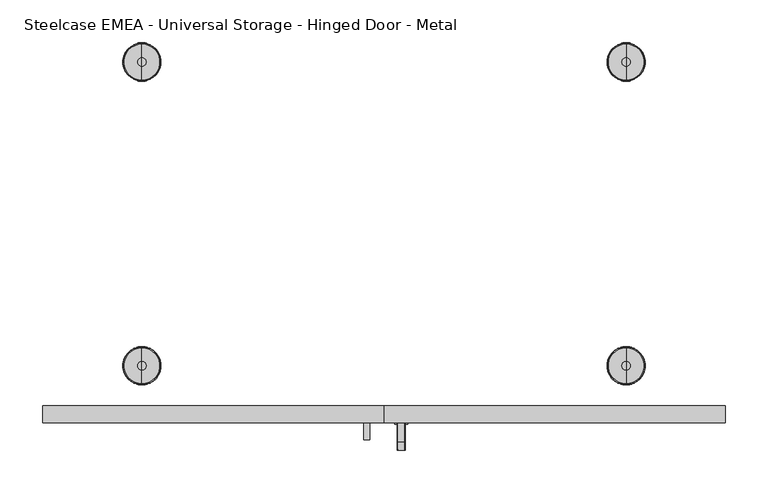
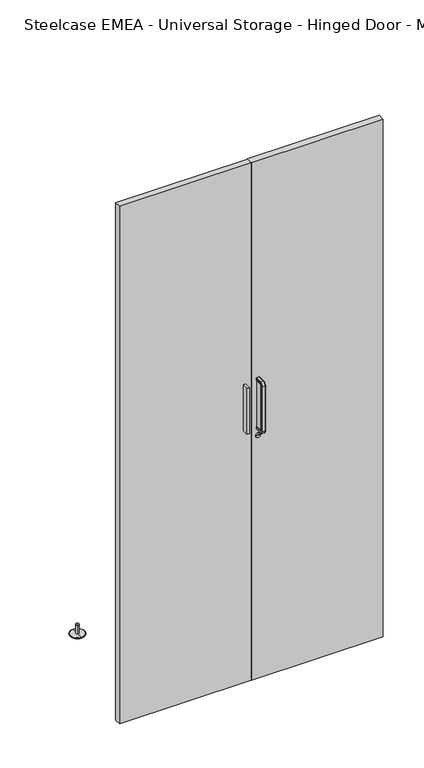
"""IFC4 building model written with IfcOpenShell, lengths in millimetres: furniture geometry, Steelcase EMEA - Universal Storage - Hinged Door - Metal."""

from ifc_helpers import new_model, si_unit, point, frame, frame_2d, origin, place, context, project, spatial, polyline, circle_curve, ellipse_curve, trimmed, segment, composite_curve, outline, extrude, source, transform, mapped, element, save
from ifc_brep_helpers import plane_surface, cylinder_surface, revolved_surface, advanced_brep


def steelcase_emea_universal_storage_hinged_door_metal_18d2f362(model_context):
    return source(origin(), model_context, "Body", "SolidModel", [
        extrude(outline(polyline([(23.7, -245.0), (23.7, -265.0318401), (16.7, -265.0318401), (16.7, -245.0), (23.7, -245.0)])), frame((0.0, 0.0, 818.8885036), z_axis=(0.0, 0.0, 1.0), x_axis=(1.0, 0.0, 0.0)), (0.0, 0.0, 1.0), 148.0614964),
        advanced_brep(
        [(17.2414116, -245.0, 966.95), (15.2414116, -245.0, 968.95), (15.2414116, -245.0, 973.9674524), (16.2412593, -245.0, 974.95), (24.1587407, -245.0, 974.95), (25.1585884, -245.0, 973.9674524), (25.1585884, -245.0, 968.95), (23.1585884, -245.0, 966.95), (23.1585884, -267.0318401, 966.95), (17.2414116, -267.0318401, 966.95), (24.1587407, -267.0318401, 974.95), (25.1585884, -267.0318401, 973.9674524), (16.2412593, -267.0318401, 974.95), (15.2414116, -267.0318401, 973.9674524), (17.2414116, -269.0318401, 964.95), (23.1585884, -269.0318401, 964.95), (25.1585884, -276.0492925, 964.95), (24.1587407, -277.0318401, 964.95), (16.2412593, -277.0318401, 964.95), (15.2414116, -276.0492925, 964.95), (23.1585884, -269.0318401, 820.8885036), (17.2414116, -269.0318401, 820.8885036), (24.1587407, -277.0318401, 820.8885036), (25.1585884, -276.0492925, 820.8885036), (16.2412593, -277.0318401, 820.8885036), (15.2414116, -276.0492925, 820.8885036), (17.2414116, -267.0318401, 818.8885036), (23.1585884, -267.0318401, 818.8885036), (25.1585884, -267.0318401, 811.8710512), (24.1587407, -267.0318401, 810.8885036), (16.2412593, -267.0318401, 810.8885036), (15.2414116, -267.0318401, 811.8710512), (17.2414116, -245.0, 818.8885036), (23.1585884, -245.0, 818.8885036), (25.1585884, -245.0, 816.8885036), (25.1585884, -245.0, 811.8710512), (24.1587407, -245.0, 810.8885036), (16.2412593, -245.0, 810.8885036), (15.2414116, -245.0, 811.8710512), (15.2414116, -245.0, 816.8885036), (25.1585884, -267.0318401, 968.95), (25.1585884, -267.0318401, 816.8885036), (25.1585884, -271.0318401, 820.8885036), (25.1585884, -271.0318401, 964.95), (15.2414116, -267.0318401, 968.95), (15.2414116, -271.0318401, 964.95), (15.2414116, -271.0318401, 820.8885036), (15.2414116, -267.0318401, 816.8885036)],
        [
            (0, 1, circle_curve(frame((17.2414116, -245.0, 968.95), z_axis=(0.0, 1.0, 0.0), x_axis=(1.0, 0.0, 0.0)), 2.0)),
            (1, 2),
            (2, 3, circle_curve(frame((16.2412593, -245.0, 973.95), z_axis=(0.0, 1.0, 0.0), x_axis=(1.0, 0.0, 0.0)), 1.0)),
            (3, 4),
            (4, 5, circle_curve(frame((24.1587407, -245.0, 973.95), z_axis=(0.0, 1.0, 0.0), x_axis=(1.0, 0.0, 0.0)), 1.0)),
            (5, 6),
            (6, 7, circle_curve(frame((23.1585884, -245.0, 968.95), z_axis=(0.0, 1.0, 0.0), x_axis=(1.0, 0.0, 0.0)), 2.0)),
            (7, 0),
            (7, 8),
            (8, 9),
            (9, 0),
            (4, 10),
            (10, 11, circle_curve(frame((24.1587407, -267.0318401, 973.95), z_axis=(0.0, 1.0, 0.0), x_axis=(1.0, 0.0, 0.0)), 1.0)),
            (11, 5),
            (3, 12),
            (12, 10),
            (2, 13),
            (13, 12, circle_curve(frame((16.2412593, -267.0318401, 973.95), z_axis=(0.0, 1.0, 0.0), x_axis=(1.0, 0.0, 0.0)), 1.0)),
            (14, 9, circle_curve(frame((17.2414116, -267.0318401, 964.95), z_axis=(-1.0, 0.0, 0.0), x_axis=(0.0, 0.0, 1.0)), 2.0)),
            (8, 15, circle_curve(frame((23.1585884, -267.0318401, 964.95), z_axis=(1.0, 0.0, 0.0), x_axis=(0.0, 0.0, 1.0)), 2.0)),
            (15, 14),
            (16, 11, circle_curve(frame((25.1585884, -267.0318401, 964.95), z_axis=(-1.0, 0.0, 0.0), x_axis=(0.0, 0.0, 1.0)), 9.0174524)),
            (10, 17, circle_curve(frame((24.1587407, -267.0318401, 964.95), z_axis=(1.0, 0.0, 0.0), x_axis=(0.0, 0.0, 1.0)), 10.0)),
            (17, 16, circle_curve(frame((24.1587407, -276.0318401, 964.95), z_axis=(0.0, 0.0, 1.0), x_axis=(1.0, 0.0, 0.0)), 1.0)),
            (12, 18, circle_curve(frame((16.2412593, -267.0318401, 964.95), z_axis=(1.0, 0.0, 0.0), x_axis=(0.0, 0.0, 1.0)), 10.0)),
            (18, 17),
            (13, 19, circle_curve(frame((15.2414116, -267.0318401, 964.95), z_axis=(1.0, 0.0, 0.0), x_axis=(0.0, 0.0, 1.0)), 9.0174524)),
            (19, 18, circle_curve(frame((16.2412593, -276.0318401, 964.95), z_axis=(0.0, 0.0, 1.0), x_axis=(1.0, 0.0, 0.0)), 1.0)),
            (15, 20),
            (20, 21),
            (21, 14),
            (17, 22),
            (22, 23, circle_curve(frame((24.1587407, -276.0318401, 820.8885036), z_axis=(0.0, 0.0, 1.0), x_axis=(1.0, 0.0, 0.0)), 1.0)),
            (23, 16),
            (18, 24),
            (24, 22),
            (19, 25),
            (25, 24, circle_curve(frame((16.2412593, -276.0318401, 820.8885036), z_axis=(0.0, 0.0, 1.0), x_axis=(1.0, 0.0, 0.0)), 1.0)),
            (26, 21, circle_curve(frame((17.2414116, -267.0318401, 820.8885036), z_axis=(-1.0, 0.0, 0.0), x_axis=(0.0, -1.0, 0.0)), 2.0)),
            (20, 27, circle_curve(frame((23.1585884, -267.0318401, 820.8885036), z_axis=(1.0, 0.0, 0.0), x_axis=(0.0, -1.0, 0.0)), 2.0)),
            (27, 26),
            (28, 23, circle_curve(frame((25.1585884, -267.0318401, 820.8885036), z_axis=(-1.0, 0.0, 0.0), x_axis=(0.0, -1.0, 0.0)), 9.0174524)),
            (22, 29, circle_curve(frame((24.1587407, -267.0318401, 820.8885036), z_axis=(1.0, 0.0, 0.0), x_axis=(0.0, -1.0, 0.0)), 10.0)),
            (29, 28, circle_curve(frame((24.1587407, -267.0318401, 811.8885036), z_axis=(0.0, -1.0, 0.0), x_axis=(1.0, 0.0, 0.0)), 1.0)),
            (24, 30, circle_curve(frame((16.2412593, -267.0318401, 820.8885036), z_axis=(1.0, 0.0, 0.0), x_axis=(0.0, -1.0, 0.0)), 10.0)),
            (30, 29),
            (25, 31, circle_curve(frame((15.2414116, -267.0318401, 820.8885036), z_axis=(1.0, 0.0, 0.0), x_axis=(0.0, -1.0, 0.0)), 9.0174524)),
            (31, 30, circle_curve(frame((16.2412593, -267.0318401, 811.8885036), z_axis=(0.0, -1.0, 0.0), x_axis=(1.0, 0.0, 0.0)), 1.0)),
            (32, 33),
            (33, 34, circle_curve(frame((23.1585884, -245.0, 816.8885036), z_axis=(0.0, 1.0, 0.0), x_axis=(1.0, 0.0, 0.0)), 2.0)),
            (34, 35),
            (35, 36, circle_curve(frame((24.1587407, -245.0, 811.8885036), z_axis=(0.0, 1.0, 0.0), x_axis=(1.0, 0.0, 0.0)), 1.0)),
            (36, 37),
            (37, 38, circle_curve(frame((16.2412593, -245.0, 811.8885036), z_axis=(0.0, 1.0, 0.0), x_axis=(1.0, 0.0, 0.0)), 1.0)),
            (38, 39),
            (39, 32, circle_curve(frame((17.2414116, -245.0, 816.8885036), z_axis=(0.0, 1.0, 0.0), x_axis=(1.0, 0.0, 0.0)), 2.0)),
            (27, 33),
            (32, 26),
            (29, 36),
            (35, 28),
            (30, 37),
            (31, 38),
            (6, 40),
            (40, 8, circle_curve(frame((23.1585884, -267.0318401, 968.95), z_axis=(0.0, 1.0, 0.0), x_axis=(1.0, 0.0, 0.0)), 2.0)),
            (34, 41),
            (41, 42, circle_curve(frame((25.1585884, -267.0318401, 820.8885036), z_axis=(-1.0, 0.0, 0.0), x_axis=(0.0, -1.0, 0.0)), 4.0)),
            (42, 43),
            (43, 40, circle_curve(frame((25.1585884, -267.0318401, 964.95), z_axis=(-1.0, 0.0, 0.0), x_axis=(0.0, 0.0, 1.0)), 4.0)),
            (1, 44),
            (44, 45, circle_curve(frame((15.2414116, -267.0318401, 964.95), z_axis=(1.0, 0.0, 0.0), x_axis=(0.0, 0.0, 1.0)), 4.0)),
            (45, 46),
            (46, 47, circle_curve(frame((15.2414116, -267.0318401, 820.8885036), z_axis=(1.0, 0.0, 0.0), x_axis=(0.0, -1.0, 0.0)), 4.0)),
            (47, 39),
            (9, 44, circle_curve(frame((17.2414116, -267.0318401, 968.95), z_axis=(0.0, 1.0, 0.0), x_axis=(1.0, 0.0, 0.0)), 2.0)),
            (43, 15, circle_curve(frame((23.1585884, -271.0318401, 964.95), z_axis=(0.0, 0.0, 1.0), x_axis=(1.0, 0.0, 0.0)), 2.0)),
            (14, 45, circle_curve(frame((17.2414116, -271.0318401, 964.95), z_axis=(0.0, 0.0, 1.0), x_axis=(1.0, 0.0, 0.0)), 2.0)),
            (42, 20, circle_curve(frame((23.1585884, -271.0318401, 820.8885036), z_axis=(0.0, 0.0, 1.0), x_axis=(1.0, 0.0, 0.0)), 2.0)),
            (21, 46, circle_curve(frame((17.2414116, -271.0318401, 820.8885036), z_axis=(0.0, 0.0, 1.0), x_axis=(1.0, 0.0, 0.0)), 2.0)),
            (41, 27, circle_curve(frame((23.1585884, -267.0318401, 816.8885036), z_axis=(0.0, -1.0, 0.0), x_axis=(1.0, 0.0, 0.0)), 2.0)),
            (26, 47, circle_curve(frame((17.2414116, -267.0318401, 816.8885036), z_axis=(0.0, -1.0, 0.0), x_axis=(1.0, 0.0, 0.0)), 2.0)),
        ],
        [
            plane_surface(frame((20.2, -245.0, 966.95), z_axis=(0.0, 1.0, 0.0), x_axis=(1.0, 0.0, 0.0))),
            plane_surface(frame((23.1585884, -245.0, 966.95), z_axis=(0.0, 0.0, -1.0), x_axis=(0.0, -1.0, 0.0))),
            cylinder_surface(frame((24.1587407, -245.0, 973.95), z_axis=(0.0, 1.0, 0.0), x_axis=(1.0, 0.0, 0.0)), 1.0),
            plane_surface(frame((16.2412593, -245.0, 974.95), z_axis=(0.0, 0.0, 1.0), x_axis=(0.0, -1.0, 0.0))),
            cylinder_surface(frame((16.2412593, -245.0, 973.95), z_axis=(0.0, 1.0, 0.0), x_axis=(1.0, 0.0, 0.0)), 1.0),
            revolved_surface(polyline([(23.1585884, -267.0318401, 966.95), (17.2414116, -267.0318401, 966.95)]), (20.2, -267.0318401, 964.95), (1.0, 0.0, 0.0)),
            revolved_surface(trimmed(ellipse_curve(frame((24.1587407, -267.0318401, 973.95), z_axis=(0.0, 1.0, 0.0), x_axis=(1.0, 0.0, 0.0)), 1.0, 1.0), [point((24.1587407, -267.0318401, 974.95))], [point((25.1585884, -267.0318401, 973.9674524))], True, "CARTESIAN"), (20.2, -267.0318401, 964.95), (1.0, 0.0, 0.0)),
            cylinder_surface(frame((20.2, -267.0318401, 964.95), z_axis=(1.0, 0.0, 0.0), x_axis=(0.0, 0.0, 1.0)), 10.0),
            revolved_surface(trimmed(ellipse_curve(frame((16.2412593, -267.0318401, 973.95), z_axis=(0.0, 1.0, 0.0), x_axis=(1.0, 0.0, 0.0)), 1.0, 1.0), [point((15.2414116, -267.0318401, 973.9674524))], [point((16.2412593, -267.0318401, 974.95))], True, "CARTESIAN"), (20.2, -267.0318401, 964.95), (1.0, 0.0, 0.0)),
            plane_surface(frame((23.1585884, -269.0318401, 964.95), z_axis=(0.0, 1.0, 0.0), x_axis=(0.0, 0.0, -1.0))),
            cylinder_surface(frame((24.1587407, -276.0318401, 964.95), z_axis=(0.0, 0.0, 1.0), x_axis=(1.0, 0.0, 0.0)), 1.0),
            plane_surface(frame((16.2412593, -277.0318401, 964.95), z_axis=(0.0, -1.0, 0.0), x_axis=(0.0, 0.0, -1.0))),
            cylinder_surface(frame((16.2412593, -276.0318401, 964.95), z_axis=(0.0, 0.0, 1.0), x_axis=(1.0, 0.0, 0.0)), 1.0),
            revolved_surface(polyline([(23.1585884, -269.0318401, 820.8885036), (17.2414116, -269.0318401, 820.8885036)]), (20.2, -267.0318401, 820.8885036), (1.0, 0.0, 0.0)),
            revolved_surface(trimmed(ellipse_curve(frame((24.1587407, -276.0318401, 820.8885036), z_axis=(0.0, 0.0, 1.0), x_axis=(1.0, 0.0, 0.0)), 1.0, 1.0), [point((24.1587407, -277.0318401, 820.8885036))], [point((25.1585884, -276.0492925, 820.8885036))], True, "CARTESIAN"), (20.2, -267.0318401, 820.8885036), (1.0, 0.0, 0.0)),
            cylinder_surface(frame((20.2, -267.0318401, 820.8885036), z_axis=(1.0, 0.0, 0.0), x_axis=(0.0, -1.0, 0.0)), 10.0),
            revolved_surface(trimmed(ellipse_curve(frame((16.2412593, -276.0318401, 820.8885036), z_axis=(0.0, 0.0, 1.0), x_axis=(1.0, 0.0, 0.0)), 1.0, 1.0), [point((15.2414116, -276.0492925, 820.8885036))], [point((16.2412593, -277.0318401, 820.8885036))], True, "CARTESIAN"), (20.2, -267.0318401, 820.8885036), (1.0, 0.0, 0.0)),
            plane_surface(frame((20.2, -245.0, 818.8885036), z_axis=(0.0, 1.0, 0.0), x_axis=(1.0, 0.0, 0.0))),
            plane_surface(frame((23.1585884, -267.0318401, 818.8885036), z_axis=(0.0, 0.0, 1.0), x_axis=(0.0, 1.0, 0.0))),
            cylinder_surface(frame((24.1587407, -267.0318401, 811.8885036), z_axis=(0.0, -1.0, 0.0), x_axis=(1.0, 0.0, 0.0)), 1.0),
            plane_surface(frame((16.2412593, -267.0318401, 810.8885036), z_axis=(0.0, 0.0, -1.0), x_axis=(0.0, 1.0, 0.0))),
            cylinder_surface(frame((16.2412593, -267.0318401, 811.8885036), z_axis=(0.0, -1.0, 0.0), x_axis=(1.0, 0.0, 0.0)), 1.0),
            cylinder_surface(frame((23.1585884, -245.0, 968.95), z_axis=(0.0, 1.0, 0.0), x_axis=(1.0, 0.0, 0.0)), 2.0),
            plane_surface(frame((25.1585884, -245.0, 973.9674524), z_axis=(1.0, 0.0, 0.0), x_axis=(0.0, -1.0, 0.0))),
            plane_surface(frame((15.2414116, -245.0, 968.95), z_axis=(-1.0, 0.0, 0.0), x_axis=(0.0, -1.0, 0.0))),
            cylinder_surface(frame((17.2414116, -245.0, 968.95), z_axis=(0.0, 1.0, 0.0), x_axis=(1.0, 0.0, 0.0)), 2.0),
            revolved_surface(trimmed(ellipse_curve(frame((23.1585884, -267.0318401, 968.95), z_axis=(0.0, 1.0, 0.0), x_axis=(1.0, 0.0, 0.0)), 2.0, 2.0), [point((25.1585884, -267.0318401, 968.95))], [point((23.1585884, -267.0318401, 966.95))], True, "CARTESIAN"), (20.2, -267.0318401, 964.95), (1.0, 0.0, 0.0)),
            revolved_surface(trimmed(ellipse_curve(frame((17.2414116, -267.0318401, 968.95), z_axis=(0.0, 1.0, 0.0), x_axis=(1.0, 0.0, 0.0)), 2.0, 2.0), [point((17.2414116, -267.0318401, 966.95))], [point((15.2414116, -267.0318401, 968.95))], True, "CARTESIAN"), (20.2, -267.0318401, 964.95), (1.0, 0.0, 0.0)),
            cylinder_surface(frame((23.1585884, -271.0318401, 964.95), z_axis=(0.0, 0.0, 1.0), x_axis=(1.0, 0.0, 0.0)), 2.0),
            cylinder_surface(frame((17.2414116, -271.0318401, 964.95), z_axis=(0.0, 0.0, 1.0), x_axis=(1.0, 0.0, 0.0)), 2.0),
            revolved_surface(trimmed(ellipse_curve(frame((23.1585884, -271.0318401, 820.8885036), z_axis=(0.0, 0.0, 1.0), x_axis=(1.0, 0.0, 0.0)), 2.0, 2.0), [point((25.1585884, -271.0318401, 820.8885036))], [point((23.1585884, -269.0318401, 820.8885036))], True, "CARTESIAN"), (20.2, -267.0318401, 820.8885036), (1.0, 0.0, 0.0)),
            revolved_surface(trimmed(ellipse_curve(frame((17.2414116, -271.0318401, 820.8885036), z_axis=(0.0, 0.0, 1.0), x_axis=(1.0, 0.0, 0.0)), 2.0, 2.0), [point((17.2414116, -269.0318401, 820.8885036))], [point((15.2414116, -271.0318401, 820.8885036))], True, "CARTESIAN"), (20.2, -267.0318401, 820.8885036), (1.0, 0.0, 0.0)),
            cylinder_surface(frame((23.1585884, -267.0318401, 816.8885036), z_axis=(0.0, -1.0, 0.0), x_axis=(1.0, 0.0, 0.0)), 2.0),
            cylinder_surface(frame((17.2414116, -267.0318401, 816.8885036), z_axis=(0.0, -1.0, 0.0), x_axis=(1.0, 0.0, 0.0)), 2.0),
        ],
        [
            (0, [[1, 2, 3, 4, 5, 6, 7, 8]]),
            (1, [[-8, 9, 10, 11]]),
            (2, [[-5, 12, 13, 14]]),
            (3, [[-4, 15, 16, -12]]),
            (4, [[-3, 17, 18, -15]]),
            (5, [[19, -10, 20, 21]]),
            (6, [[22, -13, 23, 24]]),
            (7, [[-23, -16, 25, 26]]),
            (8, [[-25, -18, 27, 28]]),
            (9, [[-21, 29, 30, 31]]),
            (10, [[-24, 32, 33, 34]]),
            (11, [[-26, 35, 36, -32]]),
            (12, [[-28, 37, 38, -35]]),
            (13, [[39, -30, 40, 41]]),
            (14, [[42, -33, 43, 44]]),
            (15, [[-43, -36, 45, 46]]),
            (16, [[-45, -38, 47, 48]]),
            (17, [[49, 50, 51, 52, 53, 54, 55, 56]]),
            (18, [[-41, 57, -49, 58]]),
            (19, [[-44, 59, -52, 60]]),
            (20, [[-46, 61, -53, -59]]),
            (21, [[-48, 62, -54, -61]]),
            (22, [[-7, 63, 64, -9]]),
            (23, [[-6, -14, -22, -34, -42, -60, -51, 65, 66, 67, 68, -63]]),
            (24, [[-2, 69, 70, 71, 72, 73, -55, -62, -47, -37, -27, -17]]),
            (25, [[-1, -11, 74, -69]]),
            (26, [[-20, -64, -68, 75]]),
            (27, [[-70, -74, -19, 76]]),
            (28, [[-75, -67, 77, -29]]),
            (29, [[-76, -31, 78, -71]]),
            (30, [[-40, -77, -66, 79]]),
            (31, [[-72, -78, -39, 80]]),
            (32, [[-79, -65, -50, -57]]),
            (33, [[-80, -58, -56, -73]]),
        ],
    ),
        extrude(outline(polyline([(-0.5, -245.0), (-400.0, -245.0), (-400.0, -225.0), (-0.5, -225.0), (-0.5, -245.0)])), frame((0.0, 0.0, 10.0), z_axis=(0.0, 0.0, 1.0), x_axis=(1.0, 0.0, 0.0)), (0.0, 0.0, 1.0), 1660.0),
        extrude(outline(polyline([(400.0, -245.0), (0.5, -245.0), (0.5, -225.0), (400.0, -225.0), (400.0, -245.0)])), frame((0.0, 0.0, 10.0), z_axis=(0.0, 0.0, 1.0), x_axis=(1.0, 0.0, 0.0)), (0.0, 0.0, 1.0), 1660.0),
        extrude(outline(composite_curve([segment(trimmed(circle_curve(frame_2d((790.3885036, 20.2)), 7.5), [point((790.3885036, 12.7))], [point((790.3885036, 27.7))], False, "CARTESIAN"), True, "CONTINUOUS"), segment(trimmed(circle_curve(frame_2d((790.3885036, 20.2)), 7.5), [point((790.3885036, 27.7))], [point((790.3885036, 12.7))], False, "CARTESIAN"), True, "CONTINUOUS")], self_intersect=False), holes=[polyline([(789.9885036, 15.1664282), (790.7885036, 15.1664282), (790.7885036, 25.2335718), (789.9885036, 25.2335718), (789.9885036, 15.1664282)])]), frame((0.0, -246.5, 0.0), z_axis=(0.0, 1.0, 0.0), x_axis=(0.0, 0.0, 1.0)), (0.0, 0.0, 1.0), 1.5),
        advanced_brep(
        [(283.7470237, -177.9975958, 32.5397656), (283.7470237, -172.9975958, 32.5397656), (283.7470237, -182.9975958, 32.5397656), (283.7470237, -196.9727531, 0.0), (283.7470237, -159.0224385, 0.0), (283.7470237, -177.9975958, 0.0), (283.7470237, -198.74052, 0.732233), (283.7470237, -157.2546716, 0.732233), (283.7470237, -200.2351744, 2.2268875), (283.7470237, -155.7600172, 2.2268875), (283.7470237, -200.2351744, 2.9339942), (283.7470237, -155.7600172, 2.9339942), (283.7470237, -199.1691687, 4.0), (283.7470237, -156.8260229, 4.0), (283.7470237, -182.9975958, 4.0), (283.7470237, -172.9975958, 4.0)],
        [
            (0, 1),
            (1, 2, circle_curve(frame((283.7470237, -177.9975958, 32.5397656), z_axis=(0.0, 0.0, 1.0), x_axis=(0.0, 1.0, 0.0)), 5.0)),
            (2, 0),
            (2, 1, circle_curve(frame((283.7470237, -177.9975958, 32.5397656), z_axis=(0.0, 0.0, 1.0), x_axis=(0.0, 1.0, 0.0)), 5.0)),
            (3, 4, circle_curve(frame((283.7470237, -177.9975958, 0.0), z_axis=(0.0, 0.0, -1.0), x_axis=(0.0, 1.0, 0.0)), 18.9751573)),
            (4, 5),
            (5, 3),
            (4, 3, circle_curve(frame((283.7470237, -177.9975958, 0.0), z_axis=(0.0, 0.0, -1.0), x_axis=(0.0, 1.0, 0.0)), 18.9751573)),
            (6, 7, circle_curve(frame((283.7470237, -177.9975958, 0.732233), z_axis=(0.0, 0.0, -1.0), x_axis=(0.0, 1.0, 0.0)), 20.7429242)),
            (7, 4, circle_curve(frame((283.7470237, -159.0224385, 2.5), z_axis=(-1.0, 0.0, 0.0), x_axis=(0.0, -1.0, 0.0)), 2.5)),
            (3, 6, circle_curve(frame((283.7470237, -196.9727531, 2.5), z_axis=(-1.0, 0.0, 0.0), x_axis=(0.0, 1.0, 0.0)), 2.5)),
            (7, 6, circle_curve(frame((283.7470237, -177.9975958, 0.732233), z_axis=(0.0, 0.0, -1.0), x_axis=(0.0, 1.0, 0.0)), 20.7429242)),
            (8, 9, circle_curve(frame((283.7470237, -177.9975958, 2.2268875), z_axis=(0.0, 0.0, -1.0), x_axis=(0.0, 1.0, 0.0)), 22.2375786)),
            (9, 7),
            (6, 8),
            (9, 8, circle_curve(frame((283.7470237, -177.9975958, 2.2268875), z_axis=(0.0, 0.0, -1.0), x_axis=(0.0, 1.0, 0.0)), 22.2375786)),
            (10, 11, circle_curve(frame((283.7470237, -177.9975958, 2.9339942), z_axis=(0.0, 0.0, -1.0), x_axis=(0.0, 1.0, 0.0)), 22.2375786)),
            (11, 9, circle_curve(frame((283.7470237, -156.1135706, 2.5804409), z_axis=(-1.0, 0.0, 0.0), x_axis=(0.0, -1.0, 0.0)), 0.5)),
            (8, 10, circle_curve(frame((283.7470237, -199.881621, 2.5804409), z_axis=(-1.0, 0.0, 0.0), x_axis=(0.0, 1.0, 0.0)), 0.5)),
            (11, 10, circle_curve(frame((283.7470237, -177.9975958, 2.9339942), z_axis=(0.0, 0.0, -1.0), x_axis=(0.0, 1.0, 0.0)), 22.2375786)),
            (12, 13, circle_curve(frame((283.7470237, -177.9975958, 4.0), z_axis=(0.0, 0.0, -1.0), x_axis=(0.0, 1.0, 0.0)), 21.1715729)),
            (13, 11),
            (10, 12),
            (13, 12, circle_curve(frame((283.7470237, -177.9975958, 4.0), z_axis=(0.0, 0.0, -1.0), x_axis=(0.0, 1.0, 0.0)), 21.1715729)),
            (14, 15, circle_curve(frame((283.7470237, -177.9975958, 4.0), z_axis=(0.0, 0.0, -1.0), x_axis=(0.0, 1.0, 0.0)), 5.0)),
            (15, 13),
            (12, 14),
            (15, 14, circle_curve(frame((283.7470237, -177.9975958, 4.0), z_axis=(0.0, 0.0, -1.0), x_axis=(0.0, 1.0, 0.0)), 5.0)),
            (1, 15),
            (14, 2),
        ],
        [
            plane_surface(frame((283.7470237, -177.9975958, 32.5397656), z_axis=(0.0, 0.0, 1.0), x_axis=(0.0, 1.0, 0.0))),
            plane_surface(frame((283.7470237, -177.9975958, 0.0), z_axis=(0.0, 0.0, -1.0), x_axis=(0.0, 1.0, 0.0))),
            revolved_surface(trimmed(ellipse_curve(frame((283.7470237, -159.0224385, 2.5), z_axis=(1.0, 0.0, 0.0), x_axis=(0.0, -1.0, 0.0)), 2.5, 2.5), [point((283.7470237, -159.0224385, 0.0))], [point((283.7470237, -157.2546716, 0.732233))], True, "CARTESIAN"), (283.7470237, -177.9975958, 32.5397656), (0.0, 0.0, 1.0)),
            revolved_surface(polyline([(283.7470237, -157.2546716, 0.732233), (283.7470237, -155.7600172, 2.2268875)]), (283.7470237, -177.9975958, 32.5397656), (0.0, 0.0, 1.0)),
            revolved_surface(trimmed(ellipse_curve(frame((283.7470237, -156.1135706, 2.5804409), z_axis=(1.0, 0.0, 0.0), x_axis=(0.0, -1.0, 0.0)), 0.5, 0.5), [point((283.7470237, -155.7600172, 2.2268875))], [point((283.7470237, -155.7600172, 2.9339942))], True, "CARTESIAN"), (283.7470237, -177.9975958, 32.5397656), (0.0, 0.0, 1.0)),
            revolved_surface(polyline([(283.7470237, -155.7600172, 2.9339942), (283.7470237, -156.8260229, 4.0)]), (283.7470237, -177.9975958, 32.5397656), (0.0, 0.0, 1.0)),
            plane_surface(frame((283.7470237, -177.9975958, 4.0), z_axis=(0.0, 0.0, 1.0), x_axis=(0.0, 1.0, 0.0))),
            cylinder_surface(frame((283.7470237, -177.9975958, 32.5397656), z_axis=(0.0, 0.0, 1.0), x_axis=(0.0, 1.0, 0.0)), 5.0),
        ],
        [
            (0, [[1, 2, 3]]),
            (0, [[-3, 4, -1]]),
            (1, [[5, 6, 7]]),
            (1, [[8, -7, -6]]),
            (2, [[9, 10, -5, 11]]),
            (2, [[12, -11, -8, -10]]),
            (3, [[13, 14, -9, 15]]),
            (3, [[16, -15, -12, -14]]),
            (4, [[17, 18, -13, 19]]),
            (4, [[20, -19, -16, -18]]),
            (5, [[21, 22, -17, 23]]),
            (5, [[24, -23, -20, -22]]),
            (6, [[25, 26, -21, 27]]),
            (6, [[28, -27, -24, -26]]),
            (7, [[-2, 29, -25, 30]]),
            (7, [[-4, -30, -28, -29]]),
        ],
    ),
        advanced_brep(
        [(283.7470237, 182.9975958, 32.5397656), (283.7470237, 172.9975958, 32.5397656), (283.7470237, 177.9975958, 32.5397656), (283.7470237, 177.9975958, 0.0), (283.7470237, 159.0224385, 0.0), (283.7470237, 196.9727531, 0.0), (283.7470237, 157.2546716, 0.732233), (283.7470237, 198.74052, 0.732233), (283.7470237, 155.7600172, 2.2268875), (283.7470237, 200.2351744, 2.2268875), (283.7470237, 155.7600172, 2.9339942), (283.7470237, 200.2351744, 2.9339942), (283.7470237, 156.8260229, 4.0), (283.7470237, 199.1691687, 4.0), (283.7470237, 172.9975958, 4.0), (283.7470237, 182.9975958, 4.0)],
        [
            (0, 1, circle_curve(frame((283.7470237, 177.9975958, 32.5397656), z_axis=(0.0, 0.0, 1.0), x_axis=(0.0, -1.0, 0.0)), 5.0)),
            (1, 2),
            (2, 0),
            (1, 0, circle_curve(frame((283.7470237, 177.9975958, 32.5397656), z_axis=(0.0, 0.0, 1.0), x_axis=(0.0, -1.0, 0.0)), 5.0)),
            (3, 4),
            (4, 5, circle_curve(frame((283.7470237, 177.9975958, 0.0), z_axis=(0.0, 0.0, -1.0), x_axis=(0.0, -1.0, 0.0)), 18.9751573)),
            (5, 3),
            (5, 4, circle_curve(frame((283.7470237, 177.9975958, 0.0), z_axis=(0.0, 0.0, -1.0), x_axis=(0.0, -1.0, 0.0)), 18.9751573)),
            (4, 6, circle_curve(frame((283.7470237, 159.0224385, 2.5), z_axis=(-1.0, 0.0, 0.0), x_axis=(0.0, -1.0, 0.0)), 2.5)),
            (6, 7, circle_curve(frame((283.7470237, 177.9975958, 0.732233), z_axis=(0.0, 0.0, -1.0), x_axis=(0.0, -1.0, 0.0)), 20.7429242)),
            (7, 5, circle_curve(frame((283.7470237, 196.9727531, 2.5), z_axis=(-1.0, 0.0, 0.0), x_axis=(0.0, 1.0, 0.0)), 2.5)),
            (7, 6, circle_curve(frame((283.7470237, 177.9975958, 0.732233), z_axis=(0.0, 0.0, -1.0), x_axis=(0.0, -1.0, 0.0)), 20.7429242)),
            (6, 8),
            (8, 9, circle_curve(frame((283.7470237, 177.9975958, 2.2268875), z_axis=(0.0, 0.0, -1.0), x_axis=(0.0, -1.0, 0.0)), 22.2375786)),
            (9, 7),
            (9, 8, circle_curve(frame((283.7470237, 177.9975958, 2.2268875), z_axis=(0.0, 0.0, -1.0), x_axis=(0.0, -1.0, 0.0)), 22.2375786)),
            (8, 10, circle_curve(frame((283.7470237, 156.1135706, 2.5804409), z_axis=(-1.0, 0.0, 0.0), x_axis=(0.0, -1.0, 0.0)), 0.5)),
            (10, 11, circle_curve(frame((283.7470237, 177.9975958, 2.9339942), z_axis=(0.0, 0.0, -1.0), x_axis=(0.0, -1.0, 0.0)), 22.2375786)),
            (11, 9, circle_curve(frame((283.7470237, 199.881621, 2.5804409), z_axis=(-1.0, 0.0, 0.0), x_axis=(0.0, 1.0, 0.0)), 0.5)),
            (11, 10, circle_curve(frame((283.7470237, 177.9975958, 2.9339942), z_axis=(0.0, 0.0, -1.0), x_axis=(0.0, -1.0, 0.0)), 22.2375786)),
            (10, 12),
            (12, 13, circle_curve(frame((283.7470237, 177.9975958, 4.0), z_axis=(0.0, 0.0, -1.0), x_axis=(0.0, -1.0, 0.0)), 21.1715729)),
            (13, 11),
            (13, 12, circle_curve(frame((283.7470237, 177.9975958, 4.0), z_axis=(0.0, 0.0, -1.0), x_axis=(0.0, -1.0, 0.0)), 21.1715729)),
            (12, 14),
            (14, 15, circle_curve(frame((283.7470237, 177.9975958, 4.0), z_axis=(0.0, 0.0, -1.0), x_axis=(0.0, -1.0, 0.0)), 5.0)),
            (15, 13),
            (15, 14, circle_curve(frame((283.7470237, 177.9975958, 4.0), z_axis=(0.0, 0.0, -1.0), x_axis=(0.0, -1.0, 0.0)), 5.0)),
            (14, 1),
            (0, 15),
        ],
        [
            plane_surface(frame((283.7470237, 177.9975958, 32.5397656), z_axis=(0.0, 0.0, 1.0), x_axis=(0.0, -1.0, 0.0))),
            plane_surface(frame((283.7470237, 177.9975958, 0.0), z_axis=(0.0, 0.0, -1.0), x_axis=(0.0, -1.0, 0.0))),
            revolved_surface(trimmed(ellipse_curve(frame((283.7470237, 159.0224385, 2.5), z_axis=(1.0, 0.0, 0.0), x_axis=(0.0, -1.0, 0.0)), 2.5, 2.5), [point((283.7470237, 157.2546716, 0.732233))], [point((283.7470237, 159.0224385, 0.0))], True, "CARTESIAN"), (283.7470237, 177.9975958, 32.5397656), (0.0, 0.0, -1.0)),
            revolved_surface(polyline([(283.7470237, 155.7600172, 2.2268875), (283.7470237, 157.2546716, 0.732233)]), (283.7470237, 177.9975958, 32.5397656), (0.0, 0.0, -1.0)),
            revolved_surface(trimmed(ellipse_curve(frame((283.7470237, 156.1135706, 2.5804409), z_axis=(1.0, 0.0, 0.0), x_axis=(0.0, -1.0, 0.0)), 0.5, 0.5), [point((283.7470237, 155.7600172, 2.9339942))], [point((283.7470237, 155.7600172, 2.2268875))], True, "CARTESIAN"), (283.7470237, 177.9975958, 32.5397656), (0.0, 0.0, -1.0)),
            revolved_surface(polyline([(283.7470237, 156.8260229, 4.0), (283.7470237, 155.7600172, 2.9339942)]), (283.7470237, 177.9975958, 32.5397656), (0.0, 0.0, -1.0)),
            plane_surface(frame((283.7470237, 177.9975958, 4.0), z_axis=(0.0, 0.0, 1.0), x_axis=(0.0, -1.0, 0.0))),
            cylinder_surface(frame((283.7470237, 177.9975958, 32.5397656), z_axis=(0.0, 0.0, -1.0), x_axis=(0.0, -1.0, 0.0)), 5.0),
        ],
        [
            (0, [[1, 2, 3]]),
            (0, [[4, -3, -2]]),
            (1, [[5, 6, 7]]),
            (1, [[-7, 8, -5]]),
            (2, [[-6, 9, 10, 11]]),
            (2, [[-8, -11, 12, -9]]),
            (3, [[-10, 13, 14, 15]]),
            (3, [[-12, -15, 16, -13]]),
            (4, [[-14, 17, 18, 19]]),
            (4, [[-16, -19, 20, -17]]),
            (5, [[-18, 21, 22, 23]]),
            (5, [[-20, -23, 24, -21]]),
            (6, [[-22, 25, 26, 27]]),
            (6, [[-24, -27, 28, -25]]),
            (7, [[-26, 29, -1, 30]]),
            (7, [[-28, -30, -4, -29]]),
        ],
    ),
        advanced_brep(
        [(-283.7470237, -182.9975958, 32.5397656), (-283.7470237, -172.9975958, 32.5397656), (-283.7470237, -177.9975958, 32.5397656), (-283.7470237, -177.9975958, 0.0), (-283.7470237, -159.0224385, 0.0), (-283.7470237, -196.9727531, 0.0), (-283.7470237, -157.2546716, 0.732233), (-283.7470237, -198.74052, 0.732233), (-283.7470237, -155.7600172, 2.2268875), (-283.7470237, -200.2351744, 2.2268875), (-283.7470237, -155.7600172, 2.9339942), (-283.7470237, -200.2351744, 2.9339942), (-283.7470237, -156.8260229, 4.0), (-283.7470237, -199.1691687, 4.0), (-283.7470237, -172.9975958, 4.0), (-283.7470237, -182.9975958, 4.0)],
        [
            (0, 1, circle_curve(frame((-283.7470237, -177.9975958, 32.5397656), z_axis=(0.0, 0.0, 1.0), x_axis=(0.0, 1.0, 0.0)), 5.0)),
            (1, 2),
            (2, 0),
            (1, 0, circle_curve(frame((-283.7470237, -177.9975958, 32.5397656), z_axis=(0.0, 0.0, 1.0), x_axis=(0.0, 1.0, 0.0)), 5.0)),
            (3, 4),
            (4, 5, circle_curve(frame((-283.7470237, -177.9975958, 0.0), z_axis=(0.0, 0.0, -1.0), x_axis=(0.0, 1.0, 0.0)), 18.9751573)),
            (5, 3),
            (5, 4, circle_curve(frame((-283.7470237, -177.9975958, 0.0), z_axis=(0.0, 0.0, -1.0), x_axis=(0.0, 1.0, 0.0)), 18.9751573)),
            (4, 6, circle_curve(frame((-283.7470237, -159.0224385, 2.5), z_axis=(1.0, 0.0, 0.0), x_axis=(0.0, 1.0, 0.0)), 2.5)),
            (6, 7, circle_curve(frame((-283.7470237, -177.9975958, 0.732233), z_axis=(0.0, 0.0, -1.0), x_axis=(0.0, 1.0, 0.0)), 20.7429242)),
            (7, 5, circle_curve(frame((-283.7470237, -196.9727531, 2.5), z_axis=(1.0, 0.0, 0.0), x_axis=(0.0, -1.0, 0.0)), 2.5)),
            (7, 6, circle_curve(frame((-283.7470237, -177.9975958, 0.732233), z_axis=(0.0, 0.0, -1.0), x_axis=(0.0, 1.0, 0.0)), 20.7429242)),
            (6, 8),
            (8, 9, circle_curve(frame((-283.7470237, -177.9975958, 2.2268875), z_axis=(0.0, 0.0, -1.0), x_axis=(0.0, 1.0, 0.0)), 22.2375786)),
            (9, 7),
            (9, 8, circle_curve(frame((-283.7470237, -177.9975958, 2.2268875), z_axis=(0.0, 0.0, -1.0), x_axis=(0.0, 1.0, 0.0)), 22.2375786)),
            (8, 10, circle_curve(frame((-283.7470237, -156.1135706, 2.5804409), z_axis=(1.0, 0.0, 0.0), x_axis=(0.0, 1.0, 0.0)), 0.5)),
            (10, 11, circle_curve(frame((-283.7470237, -177.9975958, 2.9339942), z_axis=(0.0, 0.0, -1.0), x_axis=(0.0, 1.0, 0.0)), 22.2375786)),
            (11, 9, circle_curve(frame((-283.7470237, -199.881621, 2.5804409), z_axis=(1.0, 0.0, 0.0), x_axis=(0.0, -1.0, 0.0)), 0.5)),
            (11, 10, circle_curve(frame((-283.7470237, -177.9975958, 2.9339942), z_axis=(0.0, 0.0, -1.0), x_axis=(0.0, 1.0, 0.0)), 22.2375786)),
            (10, 12),
            (12, 13, circle_curve(frame((-283.7470237, -177.9975958, 4.0), z_axis=(0.0, 0.0, -1.0), x_axis=(0.0, 1.0, 0.0)), 21.1715729)),
            (13, 11),
            (13, 12, circle_curve(frame((-283.7470237, -177.9975958, 4.0), z_axis=(0.0, 0.0, -1.0), x_axis=(0.0, 1.0, 0.0)), 21.1715729)),
            (12, 14),
            (14, 15, circle_curve(frame((-283.7470237, -177.9975958, 4.0), z_axis=(0.0, 0.0, -1.0), x_axis=(0.0, 1.0, 0.0)), 5.0)),
            (15, 13),
            (15, 14, circle_curve(frame((-283.7470237, -177.9975958, 4.0), z_axis=(0.0, 0.0, -1.0), x_axis=(0.0, 1.0, 0.0)), 5.0)),
            (14, 1),
            (0, 15),
        ],
        [
            plane_surface(frame((-283.7470237, -177.9975958, 32.5397656), z_axis=(0.0, 0.0, 1.0), x_axis=(0.0, 1.0, 0.0))),
            plane_surface(frame((-283.7470237, -177.9975958, 0.0), z_axis=(0.0, 0.0, -1.0), x_axis=(0.0, 1.0, 0.0))),
            revolved_surface(trimmed(ellipse_curve(frame((-283.7470237, -159.0224385, 2.5), z_axis=(-1.0, 0.0, 0.0), x_axis=(0.0, 1.0, 0.0)), 2.5, 2.5), [point((-283.7470237, -157.2546716, 0.732233))], [point((-283.7470237, -159.0224385, 0.0))], True, "CARTESIAN"), (-283.7470237, -177.9975958, 32.5397656), (0.0, 0.0, -1.0)),
            revolved_surface(polyline([(-283.7470237, -155.7600172, 2.2268875), (-283.7470237, -157.2546716, 0.732233)]), (-283.7470237, -177.9975958, 32.5397656), (0.0, 0.0, -1.0)),
            revolved_surface(trimmed(ellipse_curve(frame((-283.7470237, -156.1135706, 2.5804409), z_axis=(-1.0, 0.0, 0.0), x_axis=(0.0, 1.0, 0.0)), 0.5, 0.5), [point((-283.7470237, -155.7600172, 2.9339942))], [point((-283.7470237, -155.7600172, 2.2268875))], True, "CARTESIAN"), (-283.7470237, -177.9975958, 32.5397656), (0.0, 0.0, -1.0)),
            revolved_surface(polyline([(-283.7470237, -156.8260229, 4.0), (-283.7470237, -155.7600172, 2.9339942)]), (-283.7470237, -177.9975958, 32.5397656), (0.0, 0.0, -1.0)),
            plane_surface(frame((-283.7470237, -177.9975958, 4.0), z_axis=(0.0, 0.0, 1.0), x_axis=(0.0, 1.0, 0.0))),
            cylinder_surface(frame((-283.7470237, -177.9975958, 32.5397656), z_axis=(0.0, 0.0, -1.0), x_axis=(0.0, 1.0, 0.0)), 5.0),
        ],
        [
            (0, [[1, 2, 3]]),
            (0, [[4, -3, -2]]),
            (1, [[5, 6, 7]]),
            (1, [[-7, 8, -5]]),
            (2, [[-6, 9, 10, 11]]),
            (2, [[-8, -11, 12, -9]]),
            (3, [[-10, 13, 14, 15]]),
            (3, [[-12, -15, 16, -13]]),
            (4, [[-14, 17, 18, 19]]),
            (4, [[-16, -19, 20, -17]]),
            (5, [[-18, 21, 22, 23]]),
            (5, [[-20, -23, 24, -21]]),
            (6, [[-22, 25, 26, 27]]),
            (6, [[-24, -27, 28, -25]]),
            (7, [[-26, 29, -1, 30]]),
            (7, [[-28, -30, -4, -29]]),
        ],
    ),
        advanced_brep(
        [(-283.7470237, 177.9975958, 32.5397656), (-283.7470237, 172.9975958, 32.5397656), (-283.7470237, 182.9975958, 32.5397656), (-283.7470237, 196.9727531, 0.0), (-283.7470237, 159.0224385, 0.0), (-283.7470237, 177.9975958, 0.0), (-283.7470237, 198.74052, 0.732233), (-283.7470237, 157.2546716, 0.732233), (-283.7470237, 200.2351744, 2.2268875), (-283.7470237, 155.7600172, 2.2268875), (-283.7470237, 200.2351744, 2.9339942), (-283.7470237, 155.7600172, 2.9339942), (-283.7470237, 199.1691687, 4.0), (-283.7470237, 156.8260229, 4.0), (-283.7470237, 182.9975958, 4.0), (-283.7470237, 172.9975958, 4.0)],
        [
            (0, 1),
            (1, 2, circle_curve(frame((-283.7470237, 177.9975958, 32.5397656), z_axis=(0.0, 0.0, 1.0), x_axis=(0.0, -1.0, 0.0)), 5.0)),
            (2, 0),
            (2, 1, circle_curve(frame((-283.7470237, 177.9975958, 32.5397656), z_axis=(0.0, 0.0, 1.0), x_axis=(0.0, -1.0, 0.0)), 5.0)),
            (3, 4, circle_curve(frame((-283.7470237, 177.9975958, 0.0), z_axis=(0.0, 0.0, -1.0), x_axis=(0.0, -1.0, 0.0)), 18.9751573)),
            (4, 5),
            (5, 3),
            (4, 3, circle_curve(frame((-283.7470237, 177.9975958, 0.0), z_axis=(0.0, 0.0, -1.0), x_axis=(0.0, -1.0, 0.0)), 18.9751573)),
            (6, 7, circle_curve(frame((-283.7470237, 177.9975958, 0.732233), z_axis=(0.0, 0.0, -1.0), x_axis=(0.0, -1.0, 0.0)), 20.7429242)),
            (7, 4, circle_curve(frame((-283.7470237, 159.0224385, 2.5), z_axis=(1.0, 0.0, 0.0), x_axis=(0.0, -1.0, 0.0)), 2.5)),
            (3, 6, circle_curve(frame((-283.7470237, 196.9727531, 2.5), z_axis=(1.0, 0.0, 0.0), x_axis=(0.0, 1.0, 0.0)), 2.5)),
            (7, 6, circle_curve(frame((-283.7470237, 177.9975958, 0.732233), z_axis=(0.0, 0.0, -1.0), x_axis=(0.0, -1.0, 0.0)), 20.7429242)),
            (8, 9, circle_curve(frame((-283.7470237, 177.9975958, 2.2268875), z_axis=(0.0, 0.0, -1.0), x_axis=(0.0, -1.0, 0.0)), 22.2375786)),
            (9, 7),
            (6, 8),
            (9, 8, circle_curve(frame((-283.7470237, 177.9975958, 2.2268875), z_axis=(0.0, 0.0, -1.0), x_axis=(0.0, -1.0, 0.0)), 22.2375786)),
            (10, 11, circle_curve(frame((-283.7470237, 177.9975958, 2.9339942), z_axis=(0.0, 0.0, -1.0), x_axis=(0.0, -1.0, 0.0)), 22.2375786)),
            (11, 9, circle_curve(frame((-283.7470237, 156.1135706, 2.5804409), z_axis=(1.0, 0.0, 0.0), x_axis=(0.0, -1.0, 0.0)), 0.5)),
            (8, 10, circle_curve(frame((-283.7470237, 199.881621, 2.5804409), z_axis=(1.0, 0.0, 0.0), x_axis=(0.0, 1.0, 0.0)), 0.5)),
            (11, 10, circle_curve(frame((-283.7470237, 177.9975958, 2.9339942), z_axis=(0.0, 0.0, -1.0), x_axis=(0.0, -1.0, 0.0)), 22.2375786)),
            (12, 13, circle_curve(frame((-283.7470237, 177.9975958, 4.0), z_axis=(0.0, 0.0, -1.0), x_axis=(0.0, -1.0, 0.0)), 21.1715729)),
            (13, 11),
            (10, 12),
            (13, 12, circle_curve(frame((-283.7470237, 177.9975958, 4.0), z_axis=(0.0, 0.0, -1.0), x_axis=(0.0, -1.0, 0.0)), 21.1715729)),
            (14, 15, circle_curve(frame((-283.7470237, 177.9975958, 4.0), z_axis=(0.0, 0.0, -1.0), x_axis=(0.0, -1.0, 0.0)), 5.0)),
            (15, 13),
            (12, 14),
            (15, 14, circle_curve(frame((-283.7470237, 177.9975958, 4.0), z_axis=(0.0, 0.0, -1.0), x_axis=(0.0, -1.0, 0.0)), 5.0)),
            (1, 15),
            (14, 2),
        ],
        [
            plane_surface(frame((-283.7470237, 177.9975958, 32.5397656), z_axis=(0.0, 0.0, 1.0), x_axis=(0.0, -1.0, 0.0))),
            plane_surface(frame((-283.7470237, 177.9975958, 0.0), z_axis=(0.0, 0.0, -1.0), x_axis=(0.0, -1.0, 0.0))),
            revolved_surface(trimmed(ellipse_curve(frame((-283.7470237, 159.0224385, 2.5), z_axis=(-1.0, 0.0, 0.0), x_axis=(0.0, -1.0, 0.0)), 2.5, 2.5), [point((-283.7470237, 159.0224385, 0.0))], [point((-283.7470237, 157.2546716, 0.732233))], True, "CARTESIAN"), (-283.7470237, 177.9975958, 32.5397656), (0.0, 0.0, 1.0)),
            revolved_surface(polyline([(-283.7470237, 157.2546716, 0.732233), (-283.7470237, 155.7600172, 2.2268875)]), (-283.7470237, 177.9975958, 32.5397656), (0.0, 0.0, 1.0)),
            revolved_surface(trimmed(ellipse_curve(frame((-283.7470237, 156.1135706, 2.5804409), z_axis=(-1.0, 0.0, 0.0), x_axis=(0.0, -1.0, 0.0)), 0.5, 0.5), [point((-283.7470237, 155.7600172, 2.2268875))], [point((-283.7470237, 155.7600172, 2.9339942))], True, "CARTESIAN"), (-283.7470237, 177.9975958, 32.5397656), (0.0, 0.0, 1.0)),
            revolved_surface(polyline([(-283.7470237, 155.7600172, 2.9339942), (-283.7470237, 156.8260229, 4.0)]), (-283.7470237, 177.9975958, 32.5397656), (0.0, 0.0, 1.0)),
            plane_surface(frame((-283.7470237, 177.9975958, 4.0), z_axis=(0.0, 0.0, 1.0), x_axis=(0.0, -1.0, 0.0))),
            cylinder_surface(frame((-283.7470237, 177.9975958, 32.5397656), z_axis=(0.0, 0.0, 1.0), x_axis=(0.0, -1.0, 0.0)), 5.0),
        ],
        [
            (0, [[1, 2, 3]]),
            (0, [[-3, 4, -1]]),
            (1, [[5, 6, 7]]),
            (1, [[8, -7, -6]]),
            (2, [[9, 10, -5, 11]]),
            (2, [[12, -11, -8, -10]]),
            (3, [[13, 14, -9, 15]]),
            (3, [[16, -15, -12, -14]]),
            (4, [[17, 18, -13, 19]]),
            (4, [[20, -19, -16, -18]]),
            (5, [[21, 22, -17, 23]]),
            (5, [[24, -23, -20, -22]]),
            (6, [[25, 26, -21, 27]]),
            (6, [[28, -27, -24, -26]]),
            (7, [[-2, 29, -25, 30]]),
            (7, [[-4, -30, -28, -29]]),
        ],
    ),
        extrude(outline(polyline([(-23.7, -265.0318401), (-23.7, -245.0), (-16.7, -245.0), (-16.7, -265.0318401), (-23.7, -265.0318401)])), frame((0.0, 0.0, 818.8885036), z_axis=(0.0, 0.0, 1.0), x_axis=(1.0, 0.0, 0.0)), (0.0, 0.0, 1.0), 148.0614964),
    ])


if __name__ == "__main__":
    model = new_model("IFC4")
    model_context = context("Model", 3, world=origin())
    ifc_project = project(units=[si_unit("LENGTHUNIT", "METRE", prefix="MILLI")], contexts=[model_context])
    site = spatial("IfcSite", under=ifc_project)
    building = spatial("IfcBuilding", under=site)
    placement = place(None, origin())
    steelcase_emea_universal_storage_hinged_door_metal_shape = steelcase_emea_universal_storage_hinged_door_metal_18d2f362(model_context)
    element("IfcFurniture", 1, ObjectType="Steelcase EMEA - Universal Storage - Hinged Door - Metal", at=placement, inside=building, context=model_context, shape_type="MappedRepresentation", body=[
        mapped(steelcase_emea_universal_storage_hinged_door_metal_shape, transform((0.0, 0.0, 0.0), x_axis=(1.0, 0.0, 0.0), y_axis=(0.0, 1.0, 0.0), z_axis=(0.0, 0.0, 1.0))),
    ])
    save(model, "model.ifc")
